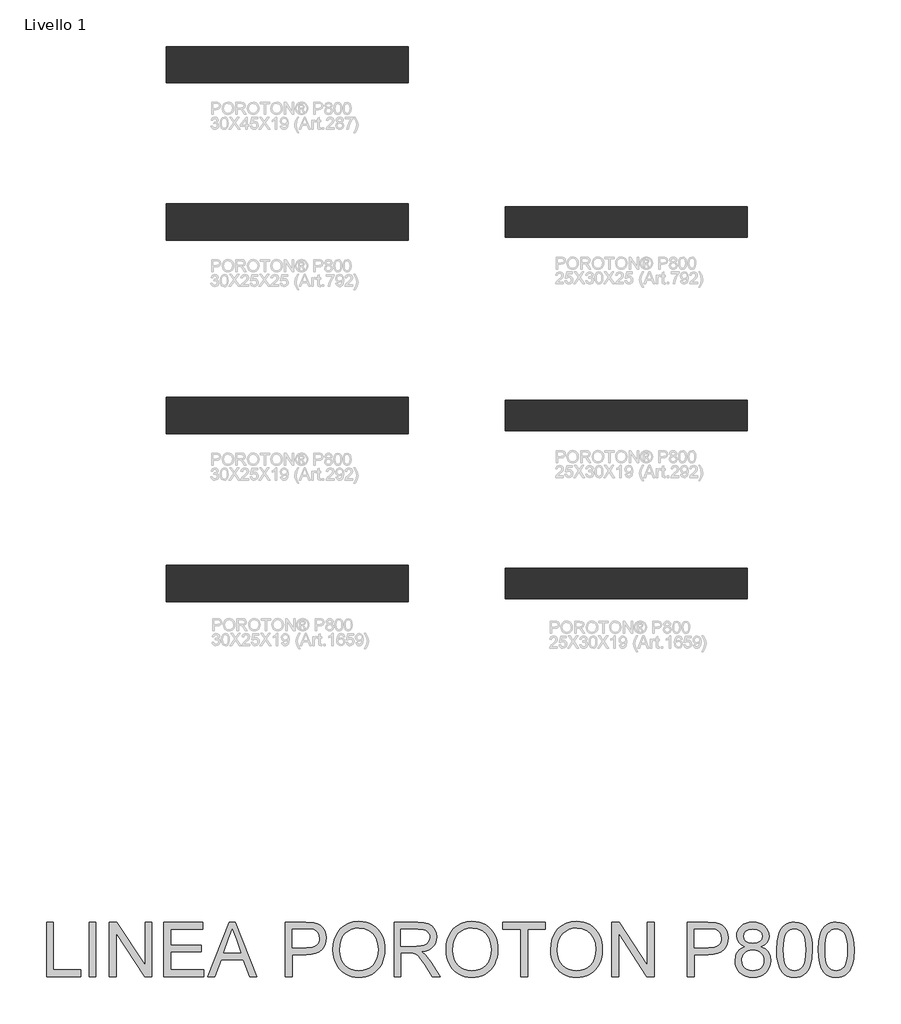
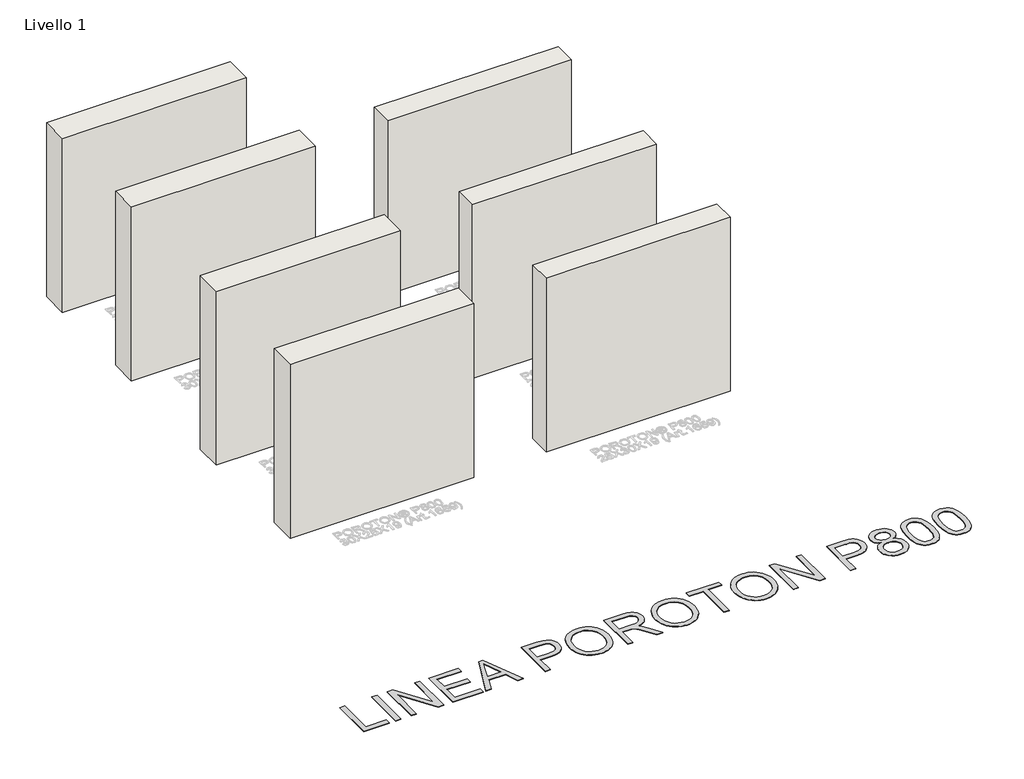
# One storey, part 1 of 8: 7 walls, 1 proxy.
"""IFC4 building model written with IfcOpenShell, lengths in millimetres."""

from ifc_helpers import new_model, si_unit, origin, origin_with_axes, place, context, project, spatial, polyline, outline, extrude, element, save

model = new_model("IFC4")

# Units and contexts
model_context = context("Model", 3, world=origin())
ifc_project = project(units=[si_unit("LENGTHUNIT", "METRE", prefix="MILLI")], contexts=[model_context])

# Site, building, storey
site = spatial("IfcSite", under=ifc_project)
building = spatial("IfcBuilding", under=site)
storey = spatial("IfcBuildingStorey", under=building, Name="Livello 1", Elevation=0.0)

# Proxy
placement = place(None, origin())
element("IfcBuildingElementProxy", 1, Name="450mm", ObjectType="450mm", at=placement, inside=storey, context=model_context, shape_type="SweptSolid", body=[
    extrude(outline(polyline([(-3133.2504422, -1960.675424), (-3133.2504422, -1511.0192812), (-3077.0434244, -1511.0192812), (-3077.0434244, -1904.4684062), (-2852.215353, -1904.4684062), (-2852.215353, -1960.675424), (-3133.2504422, -1960.675424)])), origin_with_axes(), (0.0, 0.0, 1.0), 5.0),
    extrude(outline(polyline([(-2781.9565807, -1960.675424), (-2781.9565807, -1511.0192812), (-2725.7495628, -1511.0192812), (-2725.7495628, -1960.675424), (-2781.9565807, -1960.675424)])), origin_with_axes(), (0.0, 0.0, 1.0), 5.0),
    extrude(outline(polyline([(-2613.3355271, -1960.675424), (-2613.3355271, -1511.0192812), (-2553.1764533, -1511.0192812), (-2318.2486834, -1867.2532127), (-2318.2486834, -1511.0192812), (-2262.0416655, -1511.0192812), (-2262.0416655, -1960.675424), (-2322.2007393, -1960.675424), (-2557.1285093, -1604.3317132), (-2557.1285093, -1960.675424), (-2613.3355271, -1960.675424)])), origin_with_axes(), (0.0, 0.0, 1.0), 5.0),
    extrude(outline(polyline([(-2163.6793843, -1960.675424), (-2163.6793843, -1511.0192812), (-1840.4890316, -1511.0192812), (-1840.4890316, -1567.2262991), (-2107.4723664, -1567.2262991), (-2107.4723664, -1700.7179665), (-1854.5407861, -1700.7179665), (-1854.5407861, -1756.9249843), (-2107.4723664, -1756.9249843), (-2107.4723664, -1904.4684062), (-1833.4631544, -1904.4684062), (-1833.4631544, -1960.675424), (-2163.6793843, -1960.675424)])), origin_with_axes(), (0.0, 0.0, 1.0), 5.0),
    extrude(outline(polyline([(-1801.5173689, -1960.675424), (-1622.0281615, -1511.0192812), (-1574.1643728, -1511.0192812), (-1394.6751654, -1960.675424), (-1454.0657839, -1960.675424), (-1505.5522905, -1820.1578794), (-1690.7500231, -1820.1578794), (-1742.1267504, -1960.675424), (-1801.5173689, -1960.675424)]), holes=[polyline([(-1670.1115088, -1763.9508616), (-1526.0810255, -1763.9508616), (-1566.5895989, -1653.4030745), (-1598.0962672, -1567.2262991), (-1626.0899968, -1643.7424933), (-1670.1115088, -1763.9508616)])]), origin_with_axes(), (0.0, 0.0, 1.0), 5.0),
    extrude(outline(polyline([(-1158.9789402, -1960.675424), (-1158.9789402, -1511.0192812), (-992.3339146, -1511.0192812), (-925.1489636, -1515.3006752), (-895.1929284, -1523.300844), (-870.533746, -1536.3234172), (-850.6774094, -1554.9584588), (-835.1299115, -1579.7960326), (-825.0851027, -1609.0933917), (-821.7368331, -1641.1077893), (-823.9976012, -1668.7104301), (-830.7799055, -1694.1037617), (-842.0837461, -1717.2877844), (-857.9091229, -1738.2624979), (-879.6351388, -1755.6487996), (-908.6408966, -1768.0675865), (-944.9263963, -1775.5188586), (-988.491638, -1778.002616), (-1102.7719223, -1778.002616), (-1102.7719223, -1960.675424), (-1158.9789402, -1960.675424)]), holes=[polyline([(-1102.7719223, -1721.7955982), (-985.198258, -1721.7955982), (-935.3584414, -1716.6359696), (-916.7782895, -1710.1864338), (-902.4246419, -1701.1570838), (-891.7142959, -1689.7880618), (-884.0640487, -1676.31951), (-879.4739004, -1660.7514285), (-877.9438509, -1643.0838173), (-881.5528465, -1617.834571), (-892.3798331, -1596.5373807), (-909.0800139, -1580.5095982), (-930.3085922, -1571.0685757), (-986.51561, -1567.2262991), (-1102.7719223, -1567.2262991), (-1102.7719223, -1721.7955982)])]), origin_with_axes(), (0.0, 0.0, 1.0), 5.0),
    extrude(outline(polyline([(-765.5298152, -1741.7754366), (-761.7835955, -1689.0333289), (-750.5449364, -1642.3428068), (-731.813838, -1601.7038705), (-705.5903001, -1567.1165198), (-673.4455395, -1539.5001566), (-636.9507729, -1519.7741829), (-596.1060003, -1507.9385987), (-550.9112217, -1503.993404), (-520.6601546, -1505.8459302), (-491.9322757, -1511.4035089), (-464.727585, -1520.66614), (-439.0460826, -1533.6338236), (-415.6081953, -1549.9154707), (-395.1343499, -1569.1199926), (-377.6245465, -1591.2473891), (-363.0787851, -1616.2976604), (-351.6480121, -1643.7013261), (-343.4831743, -1672.8889059), (-338.5842717, -1703.8603999), (-336.9513041, -1736.615808), (-338.6700368, -1769.8034722), (-343.8262347, -1801.1934999), (-352.4198981, -1830.785891), (-364.4510267, -1858.5806455), (-379.6348805, -1883.8436142), (-397.6867194, -1905.8406478), (-418.6065433, -1924.5717463), (-442.3943522, -1940.0369097), (-468.1135913, -1952.140081), (-494.8277056, -1960.7852034), (-522.536695, -1965.9722768), (-551.2405597, -1967.7013013), (-582.0199398, -1965.7904548), (-611.1251851, -1960.0579153), (-638.5562956, -1950.5036828), (-664.3132714, -1937.1277574), (-687.7237138, -1920.4481602), (-708.1152247, -1900.9829124), (-725.487804, -1878.7320141), (-739.8414516, -1853.6954653), (-751.0801107, -1826.8784329), (-759.1077243, -1799.286084), (-763.9242925, -1770.9184185), (-765.5298152, -1741.7754366)]), holes=[polyline([(-709.3227974, -1742.3243332), (-706.5131326, -1779.5875551), (-698.0841383, -1812.66544), (-684.0358144, -1841.5579879), (-664.368161, -1866.2651988), (-640.4602809, -1886.0529233), (-613.691277, -1900.1870123), (-584.0611492, -1908.6674656), (-551.5698977, -1911.4942834), (-518.5228882, -1908.6400208), (-488.5428388, -1900.0772329), (-461.6297495, -1885.8059198), (-437.7836203, -1865.8260814), (-418.2600523, -1840.5974187), (-404.3146465, -1810.5796327), (-395.9474031, -1775.7727234), (-393.158322, -1736.1766906), (-397.9337229, -1686.4192085), (-412.2599257, -1643.4131553), (-435.7664251, -1608.2426019), (-468.0827159, -1581.9916192), (-507.0681011, -1565.6482212), (-550.5818837, -1560.2004219), (-581.9444665, -1562.824834), (-611.0428506, -1570.6980705), (-637.877036, -1583.8201312), (-662.4470227, -1602.1910162), (-682.9551741, -1626.6958215), (-697.6038537, -1658.2196427), (-706.3930615, -1696.7624799), (-709.3227974, -1742.3243332)])]), origin_with_axes(), (0.0, 0.0, 1.0), 5.0),
    extrude(outline(polyline([(-259.6666546, -1960.675424), (-259.6666546, -1511.0192812), (-65.906134, -1511.0192812), (-13.8295635, -1514.0519353), (24.0580283, -1523.1498974), (51.7498648, -1539.9461351), (73.239169, -1566.0736161), (87.0301975, -1598.4722414), (91.627207, -1634.0819121), (89.7232217, -1657.176739), (84.0112659, -1678.3778725), (74.4913395, -1697.6853124), (61.1634425, -1715.0990589), (43.8560447, -1730.0633541), (22.3976159, -1742.0224401), (-3.2118438, -1750.9763168), (-32.9723345, -1756.9249843), (-1.026549, -1780.966658), (44.5318737, -1838.8203658), (119.5111573, -1960.675424), (54.1924549, -1960.675424), (-4.3199289, -1867.4727714), (-46.5849716, -1805.776787), (-62.2971385, -1787.786699), (-76.2802809, -1776.6303744), (-103.0115482, -1765.9268895), (-135.6160097, -1763.9508616), (-203.4596367, -1763.9508616), (-203.4596367, -1960.675424), (-259.6666546, -1960.675424)]), holes=[polyline([(-203.4596367, -1707.7438437), (-77.6525225, -1707.7438437), (-41.5214, -1705.7540933), (-13.4865031, -1699.7848422), (7.6185734, -1689.4381401), (22.960235, -1674.3160372), (32.3052006, -1656.024056), (35.4201892, -1636.1677194), (33.9347376, -1621.7934882), (29.4783828, -1608.7503313), (11.6529638, -1586.6572408), (-1.9562427, -1578.1562038), (-19.016637, -1572.0840345), (-63.4909887, -1567.2262991), (-203.4596367, -1567.2262991), (-203.4596367, -1707.7438437)])]), origin_with_axes(), (0.0, 0.0, 1.0), 5.0),
    extrude(outline(polyline([(168.9118566, -1741.7754366), (172.6580763, -1689.0333289), (183.8967354, -1642.3428068), (202.6278338, -1601.7038705), (228.8513717, -1567.1165198), (260.9961323, -1539.5001566), (297.4908989, -1519.7741829), (338.3356715, -1507.9385987), (383.5304501, -1503.993404), (413.7815172, -1505.8459302), (442.5093961, -1511.4035089), (469.7140868, -1520.66614), (495.3955892, -1533.6338236), (518.8334765, -1549.9154707), (539.3073219, -1569.1199926), (556.8171253, -1591.2473891), (571.3628867, -1616.2976604), (582.7936597, -1643.7013261), (590.9584975, -1672.8889059), (595.8574001, -1703.8603999), (597.4903677, -1736.615808), (595.771635, -1769.8034722), (590.615437, -1801.1934999), (582.0217737, -1830.785891), (569.9906451, -1858.5806455), (554.8067913, -1883.8436142), (536.7549524, -1905.8406478), (515.8351285, -1924.5717463), (492.0473196, -1940.0369097), (466.3280805, -1952.140081), (439.6139662, -1960.7852034), (411.9049768, -1965.9722768), (383.2011121, -1967.7013013), (352.421732, -1965.7904548), (323.3164867, -1960.0579153), (295.8853761, -1950.5036828), (270.1284004, -1937.1277574), (246.7179579, -1920.4481602), (226.3264471, -1900.9829124), (208.9538678, -1878.7320141), (194.6002202, -1853.6954653), (183.3615611, -1826.8784329), (175.3339475, -1799.286084), (170.5173793, -1770.9184185), (168.9118566, -1741.7754366)]), holes=[polyline([(225.1188744, -1742.3243332), (227.9285392, -1779.5875551), (236.3575335, -1812.66544), (250.4058574, -1841.5579879), (270.0735108, -1866.2651988), (293.9813909, -1886.0529233), (320.7503948, -1900.1870123), (350.3805225, -1908.6674656), (382.8717741, -1911.4942834), (415.9187836, -1908.6400208), (445.898833, -1900.0772329), (472.8119223, -1885.8059198), (496.6580515, -1865.8260814), (516.1816195, -1840.5974187), (530.1270253, -1810.5796327), (538.4942687, -1775.7727234), (541.2833498, -1736.1766906), (536.5079489, -1686.4192085), (522.1817461, -1643.4131553), (498.6752467, -1608.2426019), (466.3589559, -1581.9916192), (427.3735707, -1565.6482212), (383.8597881, -1560.2004219), (352.4972053, -1562.824834), (323.3988212, -1570.6980705), (296.5646358, -1583.8201312), (271.9946491, -1602.1910162), (251.4864977, -1626.6958215), (236.8378181, -1658.2196427), (228.0486103, -1696.7624799), (225.1188744, -1742.3243332)])]), origin_with_axes(), (0.0, 0.0, 1.0), 5.0),
    extrude(outline(polyline([(787.1890529, -1960.675424), (787.1890529, -1567.2262991), (639.6456311, -1567.2262991), (639.6456311, -1511.0192812), (990.9394927, -1511.0192812), (990.9394927, -1567.2262991), (843.3960708, -1567.2262991), (843.3960708, -1960.675424), (787.1890529, -1960.675424)])), origin_with_axes(), (0.0, 0.0, 1.0), 5.0),
    extrude(outline(polyline([(1033.094756, -1741.7754366), (1036.8409757, -1689.0333289), (1048.0796348, -1642.3428068), (1066.8107333, -1601.7038705), (1093.0342712, -1567.1165198), (1125.1790318, -1539.5001566), (1161.6737984, -1519.7741829), (1202.518571, -1507.9385987), (1247.7133496, -1503.993404), (1277.9644167, -1505.8459302), (1306.6922956, -1511.4035089), (1333.8969862, -1520.66614), (1359.5784886, -1533.6338236), (1383.016376, -1549.9154707), (1403.4902213, -1569.1199926), (1421.0000248, -1591.2473891), (1435.5457862, -1616.2976604), (1446.9765591, -1643.7013261), (1455.1413969, -1672.8889059), (1460.0402996, -1703.8603999), (1461.6732672, -1736.615808), (1459.9545345, -1769.8034722), (1454.7983365, -1801.1934999), (1446.2046732, -1830.785891), (1434.1735446, -1858.5806455), (1418.9896907, -1883.8436142), (1400.9378519, -1905.8406478), (1380.018028, -1924.5717463), (1356.230219, -1940.0369097), (1330.51098, -1952.140081), (1303.7968657, -1960.7852034), (1276.0878763, -1965.9722768), (1247.3840116, -1967.7013013), (1216.6046315, -1965.7904548), (1187.4993861, -1960.0579153), (1160.0682756, -1950.5036828), (1134.3112999, -1937.1277574), (1110.9008574, -1920.4481602), (1090.5093465, -1900.9829124), (1073.1367673, -1878.7320141), (1058.7831197, -1853.6954653), (1047.5444606, -1826.8784329), (1039.516847, -1799.286084), (1034.7002788, -1770.9184185), (1033.094756, -1741.7754366)]), holes=[polyline([(1089.3017739, -1742.3243332), (1092.1114387, -1779.5875551), (1100.540433, -1812.66544), (1114.5887568, -1841.5579879), (1134.2564102, -1866.2651988), (1158.1642903, -1886.0529233), (1184.9332943, -1900.1870123), (1214.563422, -1908.6674656), (1247.0546736, -1911.4942834), (1280.1016831, -1908.6400208), (1310.0817325, -1900.0772329), (1336.9948217, -1885.8059198), (1360.840951, -1865.8260814), (1380.364519, -1840.5974187), (1394.3099247, -1810.5796327), (1402.6771682, -1775.7727234), (1405.4662493, -1736.1766906), (1400.6908484, -1686.4192085), (1386.3646456, -1643.4131553), (1362.8581462, -1608.2426019), (1330.5418554, -1581.9916192), (1291.5564702, -1565.6482212), (1248.0426876, -1560.2004219), (1216.6801048, -1562.824834), (1187.5817206, -1570.6980705), (1160.7475352, -1583.8201312), (1136.1775486, -1602.1910162), (1115.6693971, -1626.6958215), (1101.0207176, -1658.2196427), (1092.2315098, -1696.7624799), (1089.3017739, -1742.3243332)])]), origin_with_axes(), (0.0, 0.0, 1.0), 5.0),
    extrude(outline(polyline([(1538.9579167, -1960.675424), (1538.9579167, -1511.0192812), (1599.1169905, -1511.0192812), (1834.0447604, -1867.2532127), (1834.0447604, -1511.0192812), (1890.2517783, -1511.0192812), (1890.2517783, -1960.675424), (1830.0927045, -1960.675424), (1595.1649346, -1604.3317132), (1595.1649346, -1960.675424), (1538.9579167, -1960.675424)])), origin_with_axes(), (0.0, 0.0, 1.0), 5.0),
    extrude(outline(polyline([(2164.2609903, -1960.675424), (2164.2609903, -1511.0192812), (2330.9060159, -1511.0192812), (2398.0909669, -1515.3006752), (2428.0470021, -1523.300844), (2452.7061845, -1536.3234172), (2472.5625211, -1554.9584588), (2488.110019, -1579.7960326), (2498.1548278, -1609.0933917), (2501.5030974, -1641.1077893), (2499.2423293, -1668.7104301), (2492.460025, -1694.1037617), (2481.1561844, -1717.2877844), (2465.3308076, -1738.2624979), (2443.6047918, -1755.6487996), (2414.5990339, -1768.0675865), (2378.3135342, -1775.5188586), (2334.7482925, -1778.002616), (2220.4680082, -1778.002616), (2220.4680082, -1960.675424), (2164.2609903, -1960.675424)]), holes=[polyline([(2220.4680082, -1721.7955982), (2338.0416725, -1721.7955982), (2387.8814891, -1716.6359696), (2406.461641, -1710.1864338), (2420.8152886, -1701.1570838), (2431.5256347, -1689.7880618), (2439.1758818, -1676.31951), (2443.7660301, -1660.7514285), (2445.2960796, -1643.0838173), (2441.6870841, -1617.834571), (2430.8600975, -1596.5373807), (2414.1599166, -1580.5095982), (2392.9313383, -1571.0685757), (2336.7243205, -1567.2262991), (2220.4680082, -1567.2262991), (2220.4680082, -1721.7955982)])]), origin_with_axes(), (0.0, 0.0, 1.0), 5.0),
    extrude(outline(polyline([(2639.6054968, -1713.0132516), (2609.5122375, -1698.1930419), (2588.3934385, -1678.1034241), (2575.9197619, -1653.156071), (2571.7618698, -1623.7626549), (2574.0260685, -1600.8393582), (2580.8186646, -1579.8234774), (2592.1396582, -1560.7150125), (2607.9890492, -1543.5139634), (2627.6052436, -1529.29754), (2650.2266471, -1519.1429518), (2675.8532599, -1513.0501989), (2704.4850818, -1511.0192812), (2733.254128, -1513.0982273), (2759.0728545, -1519.3350656), (2781.9412616, -1529.7297961), (2801.8593491, -1544.2824188), (2817.9969108, -1561.819667), (2829.5237407, -1581.1682742), (2836.4398386, -1602.3282404), (2838.7452045, -1625.2995656), (2834.642202, -1653.7461349), (2822.3331945, -1678.2680931), (2801.6809577, -1698.2342091), (2772.5482675, -1713.0132516), (2807.1424794, -1730.8386706), (2832.3231136, -1757.0896533), (2847.6784977, -1790.5037374), (2852.796959, -1829.8184606), (2850.258312, -1857.8533575), (2842.6423708, -1883.5554435), (2829.9491356, -1906.9247187), (2812.1786063, -1927.9611832), (2790.2639072, -1945.3474849), (2765.1381626, -1957.7662718), (2736.8013726, -1965.2175439), (2705.2535371, -1967.7013013), (2673.7057017, -1965.2072521), (2645.3689117, -1957.7251045), (2620.2431671, -1945.2548585), (2598.328468, -1927.7965142), (2580.5579387, -1906.6125338), (2567.8647035, -1882.9653796), (2560.2487623, -1856.8550517), (2557.7101153, -1828.28155), (2563.0344129, -1787.4436386), (2569.6897849, -1769.7417213), (2579.0073056, -1753.851163), (2590.781139, -1740.0601345), (2604.8054486, -1728.6568064), (2639.6054968, -1713.0132516)]), holes=[polyline([(2627.9688876, -1625.4093449), (2632.9501248, -1649.9450256), (2647.8938363, -1669.5406363), (2672.3609049, -1682.3848181), (2705.9122131, -1686.666212), (2738.6813437, -1682.4122629), (2762.777907, -1669.6504156), (2777.5981168, -1650.7134809), (2782.5381867, -1627.9342695), (2777.4334478, -1604.290546), (2762.119231, -1584.7361025), (2737.6933297, -1571.6037499), (2705.2535371, -1567.2262991), (2672.6079084, -1571.507693), (2648.2231743, -1584.3518748), (2633.0324593, -1603.1790302), (2627.9688876, -1625.4093449)]), polyline([(2613.9171331, -1826.305522), (2616.2636664, -1847.8085486), (2623.303266, -1868.6254544), (2636.2983944, -1886.7802114), (2656.5115139, -1900.2967916), (2680.7178565, -1908.6949105), (2705.6926545, -1911.4942834), (2726.0155533, -1910.0225543), (2743.9507516, -1905.6073668), (2759.4982494, -1898.2487209), (2772.6580468, -1887.9466168), (2783.1282506, -1875.3734527), (2790.6069676, -1861.2016271), (2795.0941978, -1845.4311399), (2796.5899412, -1828.0619913), (2795.0461693, -1810.4149637), (2790.4148537, -1794.3597365), (2782.6959945, -1779.8963095), (2771.8895915, -1767.0246829), (2758.3730113, -1756.4584222), (2742.5236203, -1748.9110931), (2724.3414185, -1744.3826957), (2703.8264058, -1742.8732299), (2683.8019696, -1744.3621121), (2666.103483, -1748.8287586), (2650.7309459, -1756.2731696), (2637.6843585, -1766.6953449), (2627.2861974, -1779.3542741), (2619.8589395, -1793.5089466), (2615.4025847, -1809.1593626), (2613.9171331, -1826.305522)])]), origin_with_axes(), (0.0, 0.0, 1.0), 5.0),
    extrude(outline(polyline([(2901.9780996, -1739.4700706), (2906.108547, -1667.4959962), (2918.4998891, -1610.0951281), (2927.7625202, -1586.6400878), (2939.0286241, -1566.3892317), (2952.2982008, -1549.3425598), (2967.5712503, -1535.5000722), (2984.8992317, -1524.7897262), (3004.3336041, -1517.139479), (3025.8743673, -1512.5493307), (3049.5215215, -1511.0192812), (3084.1569007, -1514.6419992), (3115.1695619, -1525.510153), (3141.104929, -1543.1983478), (3160.5084259, -1567.2811888), (3175.1639667, -1597.5528395), (3186.8554655, -1633.8074638), (3194.5125739, -1679.846171), (3197.0649434, -1739.4700706), (3192.9756632, -1811.0324725), (3180.7078229, -1868.2961164), (3171.5172345, -1891.7614485), (3160.3025896, -1912.0431801), (3147.0638884, -1929.141311), (3131.8011306, -1943.0558413), (3114.4525656, -1953.83823), (3094.9564424, -1961.5399363), (3073.312761, -1966.16096), (3049.5215215, -1967.7013013), (3018.5637499, -1965.0254301), (2991.118917, -1956.9978164), (2967.1870227, -1943.6184604), (2946.768067, -1924.8873619), (2927.1724563, -1891.0272993), (2913.1755915, -1848.8377298), (2904.7774726, -1798.3186536), (2901.9780996, -1739.4700706)]), holes=[polyline([(2958.1851175, -1739.3602913), (2959.8318075, -1788.2223857), (2964.7718774, -1827.7738206), (2973.0053273, -1858.0145958), (2984.5321571, -1878.9447116), (2998.4741322, -1893.1851493), (3013.953018, -1903.3568905), (3030.9688144, -1909.4599352), (3049.5215215, -1911.4942834), (3068.0742286, -1909.453074), (3085.090025, -1903.3294456), (3100.5689108, -1893.1233984), (3114.5108859, -1878.8349322), (3126.0377157, -1857.8705105), (3134.2711656, -1827.6365964), (3139.2112355, -1788.13319), (3140.8579255, -1739.3602913), (3139.2661252, -1691.7915346), (3134.4907243, -1652.9365123), (3126.5317227, -1622.7952246), (3115.3891205, -1601.3676713), (3101.6804265, -1586.4308209), (3086.0231493, -1575.7616421), (3068.417289, -1569.3601348), (3048.8628455, -1567.2262991), (3030.4061954, -1569.1062701), (3013.6785697, -1574.7461833), (2998.6799685, -1584.1460386), (2985.4103918, -1597.305836), (2973.4993343, -1620.633944), (2964.9914361, -1652.0857225), (2959.8866971, -1691.6611716), (2958.1851175, -1739.3602913)])]), origin_with_axes(), (0.0, 0.0, 1.0), 5.0),
    extrude(outline(polyline([(3246.246084, -1739.4700706), (3250.3765313, -1667.4959962), (3262.7678734, -1610.0951281), (3272.0305045, -1586.6400878), (3283.2966084, -1566.3892317), (3296.5661852, -1549.3425598), (3311.8392347, -1535.5000722), (3329.1672161, -1524.7897262), (3348.6015884, -1517.139479), (3370.1423517, -1512.5493307), (3393.7895058, -1511.0192812), (3428.424885, -1514.6419992), (3459.4375462, -1525.510153), (3485.3729133, -1543.1983478), (3504.7764102, -1567.2811888), (3519.431951, -1597.5528395), (3531.1234498, -1633.8074638), (3538.7805582, -1679.846171), (3541.3329277, -1739.4700706), (3537.2436476, -1811.0324725), (3524.9758073, -1868.2961164), (3515.7852188, -1891.7614485), (3504.570574, -1912.0431801), (3491.3318727, -1929.141311), (3476.069115, -1943.0558413), (3458.72055, -1953.83823), (3439.2244268, -1961.5399363), (3417.5807454, -1966.16096), (3393.7895058, -1967.7013013), (3362.8317343, -1965.0254301), (3335.3869014, -1956.9978164), (3311.455007, -1943.6184604), (3291.0360513, -1924.8873619), (3271.4404406, -1891.0272993), (3257.4435758, -1848.8377298), (3249.0454569, -1798.3186536), (3246.246084, -1739.4700706)]), holes=[polyline([(3302.4531018, -1739.3602913), (3304.0997918, -1788.2223857), (3309.0398617, -1827.7738206), (3317.2733116, -1858.0145958), (3328.8001414, -1878.9447116), (3342.7421166, -1893.1851493), (3358.2210024, -1903.3568905), (3375.2367988, -1909.4599352), (3393.7895058, -1911.4942834), (3412.3422129, -1909.453074), (3429.3580093, -1903.3294456), (3444.8368951, -1893.1233984), (3458.7788702, -1878.8349322), (3470.3057001, -1857.8705105), (3478.5391499, -1827.6365964), (3483.4792199, -1788.13319), (3485.1259098, -1739.3602913), (3483.5341095, -1691.7915346), (3478.7587086, -1652.9365123), (3470.7997071, -1622.7952246), (3459.6571049, -1601.3676713), (3445.9484108, -1586.4308209), (3430.2911336, -1575.7616421), (3412.6852733, -1569.3601348), (3393.1308298, -1567.2262991), (3374.6741797, -1569.1062701), (3357.946554, -1574.7461833), (3342.9479528, -1584.1460386), (3329.6783761, -1597.305836), (3317.7673186, -1620.633944), (3309.2594204, -1652.0857225), (3304.1546815, -1691.6611716), (3302.4531018, -1739.3602913)])]), origin_with_axes(), (0.0, 0.0, 1.0), 5.0),
])

# Walls
element("IfcWall", 2, at=placement, inside=storey, context=model_context, shape_type="SweptSolid", body=[
    extrude(outline(polyline([(-142.8152784, 1138.1260395), (-2142.8152784, 1138.1260395), (-2142.8152784, 1438.1260395), (-142.8152784, 1438.1260395), (-142.8152784, 1138.1260395)])), origin_with_axes(), (0.0, 0.0, 1.0), 2000.0),
])
element("IfcWall", 3, at=placement, inside=storey, context=model_context, shape_type="SweptSolid", body=[
    extrude(outline(polyline([(2657.1847216, 1163.1260395), (657.1847216, 1163.1260395), (657.1847216, 1413.1260395), (2657.1847216, 1413.1260395), (2657.1847216, 1163.1260395)])), origin_with_axes(), (0.0, 0.0, 1.0), 2000.0),
])
element("IfcWall", 4, at=placement, inside=storey, context=model_context, shape_type="SweptSolid", body=[
    extrude(outline(polyline([(2657.1847216, 2552.1618678), (657.1847216, 2552.1618678), (657.1847216, 2802.1618678), (2657.1847216, 2802.1618678), (2657.1847216, 2552.1618678)])), origin_with_axes(), (0.0, 0.0, 1.0), 2000.0),
])
element("IfcWall", 5, at=placement, inside=storey, context=model_context, shape_type="SweptSolid", body=[
    extrude(outline(polyline([(-142.8152784, 2527.1618678), (-2142.8152784, 2527.1618678), (-2142.8152784, 2827.1618678), (-142.8152784, 2827.1618678), (-142.8152784, 2527.1618678)])), origin_with_axes(), (0.0, 0.0, 1.0), 2000.0),
])
element("IfcWall", 6, at=placement, inside=storey, context=model_context, shape_type="SweptSolid", body=[
    extrude(outline(polyline([(2657.1847216, 4152.1618678), (657.1847216, 4152.1618678), (657.1847216, 4402.1618678), (2657.1847216, 4402.1618678), (2657.1847216, 4152.1618678)])), origin_with_axes(), (0.0, 0.0, 1.0), 2000.0),
])
element("IfcWall", 7, at=placement, inside=storey, context=model_context, shape_type="SweptSolid", body=[
    extrude(outline(polyline([(-142.8152784, 4127.1618678), (-2142.8152784, 4127.1618678), (-2142.8152784, 4427.1618678), (-142.8152784, 4427.1618678), (-142.8152784, 4127.1618678)])), origin_with_axes(), (0.0, 0.0, 1.0), 2000.0),
])
element("IfcWall", 8, at=placement, inside=storey, context=model_context, shape_type="SweptSolid", body=[
    extrude(outline(polyline([(-142.8152784, 5427.1618678), (-2142.8152784, 5427.1618678), (-2142.8152784, 5727.1618678), (-142.8152784, 5727.1618678), (-142.8152784, 5427.1618678)])), origin_with_axes(), (0.0, 0.0, 1.0), 2000.0),
])

save(model, "model.ifc")
